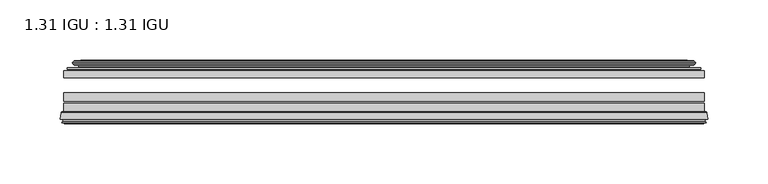
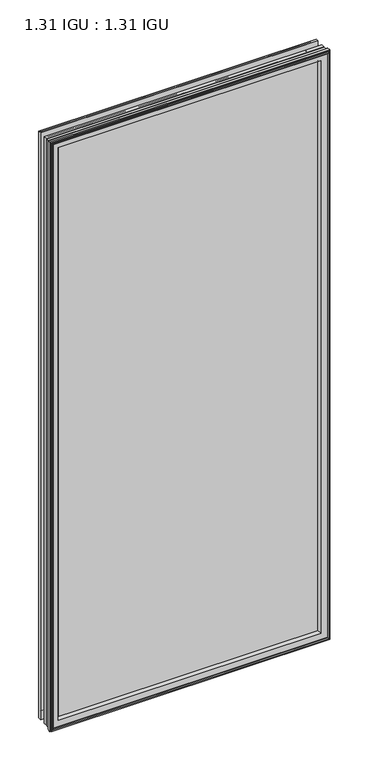
"""IFC4 building model written with IfcOpenShell, lengths in millimetres: plate geometry, 1.31 IGU : 1.31 IGU."""

from ifc_helpers import new_model, si_unit, frame, origin, place, context, project, spatial, polyline, ellipse_curve, outline, extrude, source, transform, mapped, element, save
from ifc_brep_helpers import plane_surface, cylinder_surface, revolved_surface, advanced_brep


def plate_1_31_igu_1_31_igu_06fa123f(model_context):
    return source(origin(), model_context, "Body", "SolidModel", [
        extrude(outline(polyline([(265.1081075, -44.8960875), (265.1081075, -50.4332875), (-265.1130426, -50.4332875), (-265.1130426, -44.8960875), (265.1081075, -44.8960875)])), frame((0.0, 0.0, -14.2875), z_axis=(0.0, 0.0, 1.0), x_axis=(1.0, 0.0, 0.0)), (0.0, 0.0, 1.0), 1184.275),
        extrude(outline(polyline([(-265.1130426, -78.7796875), (-265.1130426, -71.7692875), (265.1081075, -71.7692875), (265.1081075, -78.7796875), (-265.1130426, -78.7796875)])), frame((0.0, 0.0, -14.2875), z_axis=(0.0, 0.0, 1.0), x_axis=(1.0, 0.0, 0.0)), (0.0, 0.0, 1.0), 1184.275),
        extrude(outline(polyline([(-265.1130426, -70.2452875), (-265.1130426, -63.1332875), (265.1081075, -63.1332875), (265.1081075, -70.2452875), (-265.1130426, -70.2452875)])), frame((0.0, 0.0, -14.2875), z_axis=(0.0, 0.0, 1.0), x_axis=(1.0, 0.0, 0.0)), (0.0, 0.0, 1.0), 1184.275),
        advanced_brep(
        [(-267.6599465, -85.1296875, 1172.5344039), (-266.9651627, -79.4711276, 1171.8396201), (-266.9651627, -79.4711276, -16.1396201), (-267.6599465, -85.1296875, -16.8344039), (-265.2723465, -87.1207518, 1170.1468039), (-265.7295465, -85.1296875, 1170.6040039), (-265.7295465, -85.1296875, -14.9040039), (-265.2723465, -87.1207518, -14.4468039), (-266.2737083, -86.8524376, 1171.1481658), (-266.2737083, -86.8524376, -15.4481658), (-266.5169465, -87.7602147, 1171.3914039), (-266.5169465, -87.7602147, -15.6914039), (-264.4849465, -88.3046875, 1169.3594039), (-264.4849465, -88.3046875, -13.6594039), (-262.4529465, -87.7602147, 1167.3274039), (-262.4529465, -87.7602147, -11.6274039), (-262.6961846, -86.8524376, 1167.5706421), (-262.6961846, -86.8524376, -11.8706421), (-263.6975465, -87.1207518, 1168.5720039), (-263.6975465, -87.1207518, -12.8720039), (-263.2403465, -85.1296875, 1168.1148039), (-263.2403465, -85.1296875, -12.4148039), (-266.1836318, -78.7796875, 1171.0580893), (-266.1836318, -78.7796875, -15.3580893), (266.9651627, -79.4711276, -16.1396201), (267.6599465, -85.1296875, -16.8344039), (265.7295465, -85.1296875, -14.9040039), (265.2723465, -87.1207518, -14.4468039), (266.2737083, -86.8524376, -15.4481658), (266.5169465, -87.7602147, -15.6914039), (264.4849465, -88.3046875, -13.6594039), (262.4529465, -87.7602147, -11.6274039), (262.6961846, -86.8524376, -11.8706421), (263.6975465, -87.1207518, -12.8720039), (263.2403465, -85.1296875, -12.4148039), (266.1836318, -78.7796875, -15.3580893), (266.9651627, -79.4711276, 1171.8396201), (267.6599465, -85.1296875, 1172.5344039), (265.7295465, -85.1296875, 1170.6040039), (265.2723465, -87.1207518, 1170.1468039), (266.2737083, -86.8524376, 1171.1481658), (266.5169465, -87.7602147, 1171.3914039), (264.4849465, -88.3046875, 1169.3594039), (262.4529465, -87.7602147, 1167.3274039), (262.6961846, -86.8524376, 1167.5706421), (263.6975465, -87.1207518, 1168.5720039), (263.2403465, -85.1296875, 1168.1148039), (266.1836318, -78.7796875, 1171.0580893), (-250.8377557, -85.1296875, 1155.7122131), (250.8377557, -85.1296875, 1155.7122131), (250.8377557, -85.1296875, -0.0122131), (-250.8377557, -85.1296875, -0.0122131), (-247.5214788, -78.7796875, 3.3040638), (247.5214788, -78.7796875, 3.3040638), (247.5214788, -78.7796875, 1152.3959362), (-247.5214788, -78.7796875, 1152.3959362)],
        [
            (0, 1),
            (1, 2),
            (2, 3),
            (3, 0),
            (4, 5),
            (5, 6),
            (6, 7),
            (7, 4),
            (8, 4),
            (7, 9),
            (9, 8),
            (10, 8),
            (9, 11),
            (11, 10),
            (12, 10),
            (11, 13),
            (13, 12),
            (14, 12),
            (13, 15),
            (15, 14),
            (16, 14),
            (15, 17),
            (17, 16),
            (18, 16),
            (17, 19),
            (19, 18),
            (20, 18),
            (19, 21),
            (21, 20),
            (1, 22, ellipse_curve(frame((-266.1836318, -79.5670875, 1171.0580893), z_axis=(-0.7071067811865475, 0.0, -0.7071067811865475), x_axis=(-0.7071067811865474, 0.0, 0.7071067811865476)), 1.1135518, 0.7874)),
            (22, 23),
            (23, 2, ellipse_curve(frame((-266.1836318, -79.5670875, -15.3580893), z_axis=(-0.7071067811865475, 0.0, 0.7071067811865475), x_axis=(0.7071067811865474, 0.0, 0.7071067811865476)), 1.1135518, 0.7874)),
            (2, 24),
            (24, 25),
            (25, 3),
            (6, 26),
            (26, 27),
            (27, 7),
            (27, 28),
            (28, 9),
            (28, 29),
            (29, 11),
            (29, 30),
            (30, 13),
            (30, 31),
            (31, 15),
            (31, 32),
            (32, 17),
            (32, 33),
            (33, 19),
            (33, 34),
            (34, 21),
            (23, 35),
            (35, 24, ellipse_curve(frame((266.1836318, -79.5670875, -15.3580893), z_axis=(-0.7071067811865475, 0.0, -0.7071067811865475), x_axis=(-0.7071067811865476, 0.0, 0.7071067811865474)), 1.1135518, 0.7874)),
            (24, 36),
            (36, 37),
            (37, 25),
            (26, 38),
            (38, 39),
            (39, 27),
            (39, 40),
            (40, 28),
            (40, 41),
            (41, 29),
            (41, 42),
            (42, 30),
            (42, 43),
            (43, 31),
            (43, 44),
            (44, 32),
            (44, 45),
            (45, 33),
            (45, 46),
            (46, 34),
            (35, 47),
            (47, 36, ellipse_curve(frame((266.1836318, -79.5670875, 1171.0580893), z_axis=(0.7071067811865475, 0.0, -0.7071067811865475), x_axis=(-0.7071067811865474, 0.0, -0.7071067811865476)), 1.1135518, 0.7874)),
            (36, 1),
            (0, 37),
            (5, 38),
            (4, 39),
            (8, 40),
            (10, 41),
            (12, 42),
            (14, 43),
            (16, 44),
            (18, 45),
            (20, 46),
            (48, 49),
            (49, 50),
            (50, 51),
            (51, 48),
            (22, 47),
            (52, 53),
            (53, 54),
            (54, 55),
            (55, 52),
            (55, 48, ellipse_curve(frame((-239.5884608, -86.963653, 1144.4629182), z_axis=(0.7071067811865475, 0.0, 0.7071067811865475), x_axis=(0.7071067811865474, 0.0, -0.7071067811865476)), 16.118937, 11.3978097)),
            (51, 52, ellipse_curve(frame((-239.5884608, -86.963653, 11.2370818), z_axis=(0.7071067811865475, 0.0, -0.7071067811865475), x_axis=(-0.7071067811865474, 0.0, -0.7071067811865476)), 16.118937, 11.3978097)),
            (50, 53, ellipse_curve(frame((239.5884608, -86.963653, 11.2370818), z_axis=(0.7071067811865475, 0.0, 0.7071067811865475), x_axis=(0.7071067811865476, 0.0, -0.7071067811865474)), 16.118937, 11.3978097)),
            (49, 54, ellipse_curve(frame((239.5884608, -86.963653, 1144.4629182), z_axis=(-0.7071067811865475, 0.0, 0.7071067811865475), x_axis=(0.7071067811865474, 0.0, 0.7071067811865476)), 16.118937, 11.3978097)),
        ],
        [
            plane_surface(frame((-266.9651627, -79.4711276, 1171.8396201), z_axis=(-0.9925461516413008, 0.12186934340532067, 0.0), x_axis=(0.0, 0.0, -1.0))),
            plane_surface(frame((-265.7295465, -85.1296875, 1170.6040039), z_axis=(-0.9746347637895997, -0.22380142361654332, 0.0), x_axis=(0.0, 0.0, -1.0))),
            plane_surface(frame((-265.2723465, -87.1207518, 1170.1468039), z_axis=(0.25881904510266784, 0.9659258262890289, 0.0), x_axis=(0.0, 0.0, -1.0))),
            plane_surface(frame((-266.2737083, -86.8524376, 1171.1481658), z_axis=(-0.9659258262890449, 0.2588190451026083, 0.0), x_axis=(0.0, 0.0, -1.0))),
            plane_surface(frame((-266.5169465, -87.7602147, 1171.3914039), z_axis=(-0.2588190451025689, -0.9659258262890554, 0.0), x_axis=(0.0, 0.0, -1.0))),
            plane_surface(frame((-264.4849465, -88.3046875, 1169.3594039), z_axis=(0.25881904510241466, -0.9659258262890968, 0.0), x_axis=(0.0, 0.0, -1.0))),
            plane_surface(frame((-262.4529465, -87.7602147, 1167.3274039), z_axis=(0.9659258262890272, 0.25881904510267406, 0.0), x_axis=(0.0, 0.0, -1.0))),
            plane_surface(frame((-262.6961846, -86.8524376, 1167.5706421), z_axis=(-0.25881904510234177, 0.9659258262891163, 0.0), x_axis=(0.0, 0.0, -1.0))),
            plane_surface(frame((-263.6975465, -87.1207518, 1168.5720039), z_axis=(0.9746347637895936, -0.2238014236165695, 0.0), x_axis=(0.0, 0.0, -1.0))),
            cylinder_surface(frame((-266.1836318, -79.5670875, 1187.45), z_axis=(0.0, 0.0, 1.0), x_axis=(-1.0, 0.0, 0.0)), 0.7874),
            plane_surface(frame((-266.9651627, -79.4711276, -16.1396201), z_axis=(0.0, 0.12186934340531747, -0.9925461516413012), x_axis=(1.0, 0.0, 0.0))),
            plane_surface(frame((-265.7295465, -85.1296875, -14.9040039), z_axis=(0.0, -0.22380142361654648, -0.9746347637895989), x_axis=(1.0, 0.0, 0.0))),
            plane_surface(frame((-265.2723465, -87.1207518, -14.4468039), z_axis=(0.0, 0.9659258262890298, 0.25881904510266474), x_axis=(1.0, 0.0, 0.0))),
            plane_surface(frame((-266.2737083, -86.8524376, -15.4481658), z_axis=(0.0, 0.25881904510260517, -0.9659258262890458), x_axis=(1.0, 0.0, 0.0))),
            plane_surface(frame((-266.5169465, -87.7602147, -15.6914039), z_axis=(0.0, -0.9659258262890563, -0.2588190451025658), x_axis=(1.0, 0.0, 0.0))),
            plane_surface(frame((-264.4849465, -88.3046875, -13.6594039), z_axis=(0.0, -0.965925826289096, 0.25881904510241777), x_axis=(1.0, 0.0, 0.0))),
            plane_surface(frame((-262.4529465, -87.7602147, -11.6274039), z_axis=(0.0, 0.2588190451026772, 0.9659258262890265), x_axis=(1.0, 0.0, 0.0))),
            plane_surface(frame((-262.6961846, -86.8524376, -11.8706421), z_axis=(0.0, 0.9659258262891154, -0.2588190451023449), x_axis=(1.0, 0.0, 0.0))),
            plane_surface(frame((-263.6975465, -87.1207518, -12.8720039), z_axis=(0.0, -0.22380142361656633, 0.9746347637895943), x_axis=(1.0, 0.0, 0.0))),
            cylinder_surface(frame((-282.5755426, -79.5670875, -15.3580893), z_axis=(-1.0, 0.0, 0.0), x_axis=(0.0, 0.0, -1.0)), 0.7874),
            plane_surface(frame((266.9651627, -79.4711276, -16.1396201), z_axis=(0.9925461516413017, 0.12186934340531426, 0.0), x_axis=(0.0, 0.0, 1.0))),
            plane_surface(frame((265.7295465, -85.1296875, -14.9040039), z_axis=(0.9746347637895981, -0.22380142361654964, 0.0), x_axis=(0.0, 0.0, 1.0))),
            plane_surface(frame((265.2723465, -87.1207518, -14.4468039), z_axis=(-0.2588190451026616, 0.9659258262890307, 0.0), x_axis=(0.0, 0.0, 1.0))),
            plane_surface(frame((266.2737083, -86.8524376, -15.4481658), z_axis=(0.9659258262890467, 0.25881904510260206, 0.0), x_axis=(0.0, 0.0, 1.0))),
            plane_surface(frame((266.5169465, -87.7602147, -15.6914039), z_axis=(0.2588190451025627, -0.9659258262890572, 0.0), x_axis=(0.0, 0.0, 1.0))),
            plane_surface(frame((264.4849465, -88.3046875, -13.6594039), z_axis=(-0.2588190451024209, -0.9659258262890951, 0.0), x_axis=(0.0, 0.0, 1.0))),
            plane_surface(frame((262.4529465, -87.7602147, -11.6274039), z_axis=(-0.9659258262890256, 0.25881904510268033, 0.0), x_axis=(0.0, 0.0, 1.0))),
            plane_surface(frame((262.6961846, -86.8524376, -11.8706421), z_axis=(0.25881904510234804, 0.9659258262891146, 0.0), x_axis=(0.0, 0.0, 1.0))),
            plane_surface(frame((263.6975465, -87.1207518, -12.8720039), z_axis=(-0.9746347637895951, -0.22380142361656316, 0.0), x_axis=(0.0, 0.0, 1.0))),
            cylinder_surface(frame((266.1836318, -79.5670875, -31.75), z_axis=(0.0, 0.0, -1.0), x_axis=(1.0, 0.0, 0.0)), 0.7874),
            plane_surface(frame((266.9651627, -79.4711276, 1171.8396201), z_axis=(0.0, 0.12186934340531747, 0.9925461516413012), x_axis=(-1.0, 0.0, 0.0))),
            plane_surface(frame((267.6599465, -85.1296875, 1172.5344039), z_axis=(0.0, -1.0, 0.0), x_axis=(-1.0, 0.0, 0.0))),
            plane_surface(frame((265.7295465, -85.1296875, 1170.6040039), z_axis=(0.0, -0.22380142361654648, 0.9746347637895989), x_axis=(-1.0, 0.0, 0.0))),
            plane_surface(frame((265.2723465, -87.1207518, 1170.1468039), z_axis=(0.0, 0.9659258262890298, -0.25881904510266474), x_axis=(-1.0, 0.0, 0.0))),
            plane_surface(frame((266.2737083, -86.8524376, 1171.1481658), z_axis=(0.0, 0.25881904510260517, 0.9659258262890458), x_axis=(-1.0, 0.0, 0.0))),
            plane_surface(frame((266.5169465, -87.7602147, 1171.3914039), z_axis=(0.0, -0.9659258262890563, 0.2588190451025658), x_axis=(-1.0, 0.0, 0.0))),
            plane_surface(frame((264.4849465, -88.3046875, 1169.3594039), z_axis=(0.0, -0.965925826289096, -0.25881904510241777), x_axis=(-1.0, 0.0, 0.0))),
            plane_surface(frame((262.4529465, -87.7602147, 1167.3274039), z_axis=(0.0, 0.2588190451026772, -0.9659258262890265), x_axis=(-1.0, 0.0, 0.0))),
            plane_surface(frame((262.6961846, -86.8524376, 1167.5706421), z_axis=(0.0, 0.9659258262891155, 0.25881904510234494), x_axis=(-1.0, 0.0, 0.0))),
            plane_surface(frame((263.6975465, -87.1207518, 1168.5720039), z_axis=(0.0, -0.22380142361656633, -0.9746347637895943), x_axis=(-1.0, 0.0, 0.0))),
            plane_surface(frame((263.2403465, -85.1296875, 1168.1148039), z_axis=(0.0, -1.0, 0.0), x_axis=(-1.0, 0.0, 0.0))),
            plane_surface(frame((247.5214788, -78.7796875, 1152.3959362), z_axis=(0.0, 1.0, 0.0), x_axis=(-1.0, 0.0, 0.0))),
            cylinder_surface(frame((282.5755426, -79.5670875, 1171.0580893), z_axis=(1.0, 0.0, 0.0), x_axis=(0.0, 0.0, 1.0)), 0.7874),
            revolved_surface(polyline([(-250.98627050000002, -86.963653, -0.1607278582187064), (-250.98627050000002, -86.963653, 1155.8607278582188)]), (-239.5884608, -86.963653, 1187.45), (0.0, 0.0, -1.0)),
            revolved_surface(polyline([(250.9862704582187, -86.963653, -0.16072789999999948), (-250.98627045821874, -86.963653, -0.16072789999999948)]), (-282.5755426, -86.963653, 11.2370818), (1.0, 0.0, 0.0)),
            revolved_surface(polyline([(250.98627050000002, -86.963653, 1155.8607278582188), (250.98627050000002, -86.963653, -0.16072785821874191)]), (239.5884608, -86.963653, -31.75), (0.0, 0.0, 1.0)),
            revolved_surface(polyline([(-250.9862704582187, -86.963653, 1155.8607279), (250.98627045821874, -86.963653, 1155.8607279)]), (282.5755426, -86.963653, 1144.4629182), (-1.0, 0.0, 0.0)),
        ],
        [
            (0, [[1, 2, 3, 4]]),
            (1, [[5, 6, 7, 8]]),
            (2, [[9, -8, 10, 11]]),
            (3, [[12, -11, 13, 14]]),
            (4, [[15, -14, 16, 17]]),
            (5, [[18, -17, 19, 20]]),
            (6, [[21, -20, 22, 23]]),
            (7, [[24, -23, 25, 26]]),
            (8, [[27, -26, 28, 29]]),
            (9, [[30, 31, 32, -2]]),
            (10, [[-3, 33, 34, 35]]),
            (11, [[-7, 36, 37, 38]]),
            (12, [[-10, -38, 39, 40]]),
            (13, [[-13, -40, 41, 42]]),
            (14, [[-16, -42, 43, 44]]),
            (15, [[-19, -44, 45, 46]]),
            (16, [[-22, -46, 47, 48]]),
            (17, [[-25, -48, 49, 50]]),
            (18, [[-28, -50, 51, 52]]),
            (19, [[-32, 53, 54, -33]]),
            (20, [[-34, 55, 56, 57]]),
            (21, [[-37, 58, 59, 60]]),
            (22, [[-39, -60, 61, 62]]),
            (23, [[-41, -62, 63, 64]]),
            (24, [[-43, -64, 65, 66]]),
            (25, [[-45, -66, 67, 68]]),
            (26, [[-47, -68, 69, 70]]),
            (27, [[-49, -70, 71, 72]]),
            (28, [[-51, -72, 73, 74]]),
            (29, [[-54, 75, 76, -55]]),
            (30, [[-56, 77, -1, 78]]),
            (31, [[-35, -57, -78, -4], [79, -58, -36, -6]]),
            (32, [[-59, -79, -5, 80]]),
            (33, [[-61, -80, -9, 81]]),
            (34, [[-63, -81, -12, 82]]),
            (35, [[-65, -82, -15, 83]]),
            (36, [[-67, -83, -18, 84]]),
            (37, [[-69, -84, -21, 85]]),
            (38, [[-71, -85, -24, 86]]),
            (39, [[-73, -86, -27, 87]]),
            (40, [[-52, -74, -87, -29], [88, 89, 90, 91]]),
            (41, [[92, -75, -53, -31], [93, 94, 95, 96]]),
            (42, [[-76, -92, -30, -77]]),
            (43, [[97, -91, 98, -96]]),
            (44, [[-98, -90, 99, -93]]),
            (45, [[-99, -89, 100, -94]]),
            (46, [[-100, -88, -97, -95]]),
        ],
    ),
        advanced_brep(
        [(-255.767718, -37.7373382, 1160.6421755), (-250.8260851, -36.3108875, 1155.7005426), (-250.8260851, -36.3108875, -0.0005426), (-255.767718, -37.7373382, -4.9421755), (-255.6026127, -36.9605789, 1160.4770702), (-255.6026127, -36.9605789, -4.7770702), (-256.1980984, -36.4771203, 1161.0725559), (-256.1980984, -36.4771203, -5.3725559), (-257.4627342, -37.766076, 1162.3371917), (-257.4627342, -37.766076, -6.6371917), (-257.4519175, -38.8797852, 1162.3263749), (-257.4519175, -38.8797852, -6.6263749), (-256.1704323, -40.1361433, 1161.0448897), (-256.1704323, -40.1361433, -5.3448897), (-255.5654254, -39.649943, 1160.4398829), (-255.5654254, -39.649943, -4.7398829), (-256.1194397, -39.0959287, 1160.9938972), (-256.1194397, -39.0959287, -5.2938972), (-253.8336313, -38.7029881, 1158.7080887), (-253.8336313, -38.7029881, -3.0080887), (-252.3745582, -40.2107282, 1157.2490157), (-252.3745582, -40.2107282, -1.5490157), (-252.6711401, -41.651269, 1157.5455976), (-252.6711401, -41.651269, -1.8455976), (-253.4423646, -42.2798875, 1158.3168221), (-253.4423646, -42.2798875, -2.6168221), (-261.7463409, -43.4871542, 1166.6207984), (-261.4711395, -42.2798875, 1166.3455969), (-261.4711395, -42.2798875, -10.6455969), (-261.7463409, -43.4871542, -10.9207984), (-258.2887723, -44.8960875, 1163.1632297), (-258.2887723, -44.8960875, -7.4632297), (-247.1911485, -44.023302, 1152.0656059), (-247.5464864, -44.8960875, 1152.4209439), (-247.5464864, -44.8960875, 3.2790561), (-247.1911485, -44.023302, 3.6343941), (-247.8623465, -43.3681812, 1152.736804), (-247.8623465, -43.3681812, 2.963196), (-249.5031371, -40.6686056, 1154.3775946), (-249.5031371, -40.6686056, 1.3224054), (250.8260851, -36.3108875, -0.0005426), (255.767718, -37.7373382, -4.9421755), (255.6026127, -36.9605789, -4.7770702), (256.1980984, -36.4771203, -5.3725559), (257.4627342, -37.766076, -6.6371917), (257.4519175, -38.8797852, -6.6263749), (256.1704323, -40.1361433, -5.3448897), (255.5654254, -39.649943, -4.7398829), (256.1194397, -39.0959287, -5.2938972), (253.8336313, -38.7029881, -3.0080887), (252.3745582, -40.2107282, -1.5490157), (252.6711401, -41.651269, -1.8455976), (253.4423646, -42.2798875, -2.6168221), (261.4711395, -42.2798875, -10.6455969), (261.7463409, -43.4871542, -10.9207984), (258.2887723, -44.8960875, -7.4632297), (247.5464864, -44.8960875, 3.2790561), (247.1911485, -44.023302, 3.6343941), (247.8623465, -43.3681812, 2.963196), (249.5031371, -40.6686056, 1.3224054), (250.8260851, -36.3108875, 1155.7005426), (255.767718, -37.7373382, 1160.6421755), (255.6026127, -36.9605789, 1160.4770702), (256.1980984, -36.4771203, 1161.0725559), (257.4627342, -37.766076, 1162.3371917), (257.4519175, -38.8797852, 1162.3263749), (256.1704323, -40.1361433, 1161.0448897), (255.5654254, -39.649943, 1160.4398829), (256.1194397, -39.0959287, 1160.9938972), (253.8336313, -38.7029881, 1158.7080887), (252.3745582, -40.2107282, 1157.2490157), (252.6711401, -41.651269, 1157.5455976), (253.4423646, -42.2798875, 1158.3168221), (261.4711395, -42.2798875, 1166.3455969), (261.7463409, -43.4871542, 1166.6207984), (258.2887723, -44.8960875, 1163.1632297), (247.5464864, -44.8960875, 1152.4209439), (247.1911485, -44.023302, 1152.0656059), (247.8623465, -43.3681812, 1152.736804), (249.5031371, -40.6686056, 1154.3775946)],
        [
            (0, 1),
            (1, 2),
            (2, 3),
            (3, 0),
            (4, 0),
            (3, 5),
            (5, 4),
            (6, 4, ellipse_curve(frame((-255.9231297, -36.746901, 1160.7975871), z_axis=(-0.7071067811865475, 0.0, -0.7071067811865475), x_axis=(-0.7071067811865474, 0.0, 0.7071067811865476)), 0.5447741, 0.3852135)),
            (5, 7, ellipse_curve(frame((-255.9231297, -36.746901, -5.0975871), z_axis=(-0.7071067811865475, 0.0, 0.7071067811865475), x_axis=(0.7071067811865474, 0.0, 0.7071067811865476)), 0.5447741, 0.3852135)),
            (7, 6),
            (8, 6),
            (7, 9),
            (9, 8),
            (10, 8, ellipse_curve(frame((-256.9006812, -38.3175243, 1161.7751387), z_axis=(-0.7071067811865475, 0.0, -0.7071067811865475), x_axis=(-0.7071067811865474, 0.0, 0.7071067811865476)), 1.1135518, 0.7874)),
            (9, 11, ellipse_curve(frame((-256.9006812, -38.3175243, -6.0751387), z_axis=(-0.7071067811865475, 0.0, 0.7071067811865475), x_axis=(0.7071067811865474, 0.0, 0.7071067811865476)), 1.1135518, 0.7874)),
            (11, 10),
            (12, 10),
            (11, 13),
            (13, 12),
            (14, 12, ellipse_curve(frame((-255.8968348, -39.8570738, 1160.7712922), z_axis=(-0.7071067811865475, 0.0, -0.7071067811865475), x_axis=(-0.7071067811865474, 0.0, 0.7071067811865476)), 0.552694, 0.3908137)),
            (13, 15, ellipse_curve(frame((-255.8968348, -39.8570738, -5.0712922), z_axis=(-0.7071067811865475, 0.0, 0.7071067811865475), x_axis=(0.7071067811865474, 0.0, 0.7071067811865476)), 0.552694, 0.3908137)),
            (15, 14),
            (16, 14),
            (15, 17),
            (17, 16),
            (18, 16),
            (17, 19),
            (19, 18),
            (20, 18, ellipse_curve(frame((-253.6184687, -39.954629, 1158.4929261), z_axis=(0.7071067811865475, 0.0, 0.7071067811865475), x_axis=(0.7071067811865474, 0.0, -0.7071067811865476)), 1.7960512, 1.27)),
            (19, 21, ellipse_curve(frame((-253.6184687, -39.954629, -2.7929261), z_axis=(0.7071067811865475, 0.0, -0.7071067811865475), x_axis=(-0.7071067811865474, 0.0, -0.7071067811865476)), 1.7960512, 1.27)),
            (21, 20),
            (22, 20),
            (21, 23),
            (23, 22),
            (24, 22, ellipse_curve(frame((-253.4423646, -41.4924875, 1158.3168221), z_axis=(0.7071067811865475, 0.0, 0.7071067811865475), x_axis=(0.7071067811865474, 0.0, -0.7071067811865476)), 1.1135518, 0.7874)),
            (23, 25, ellipse_curve(frame((-253.4423646, -41.4924875, -2.6168221), z_axis=(0.7071067811865475, 0.0, -0.7071067811865475), x_axis=(-0.7071067811865474, 0.0, -0.7071067811865476)), 1.1135518, 0.7874)),
            (25, 24),
            (26, 27, ellipse_curve(frame((-261.4711395, -42.9148875, 1166.3455969), z_axis=(-0.7071067811865475, 0.0, -0.7071067811865475), x_axis=(-0.7071067811865474, 0.0, 0.7071067811865476)), 0.8980256, 0.635)),
            (27, 28),
            (28, 29, ellipse_curve(frame((-261.4711395, -42.9148875, -10.6455969), z_axis=(-0.7071067811865475, 0.0, 0.7071067811865475), x_axis=(0.7071067811865474, 0.0, 0.7071067811865476)), 0.8980256, 0.635)),
            (29, 26),
            (30, 26),
            (29, 31),
            (31, 30),
            (32, 33, ellipse_curve(frame((-247.5464864, -44.3873602, 1152.4209439), z_axis=(-0.7071067811865475, 0.0, -0.7071067811865475), x_axis=(-0.7071067811865474, 0.0, 0.7071067811865476)), 0.719449, 0.5087273)),
            (33, 34),
            (34, 35, ellipse_curve(frame((-247.5464864, -44.3873602, 3.2790561), z_axis=(-0.7071067811865475, 0.0, 0.7071067811865475), x_axis=(0.7071067811865474, 0.0, 0.7071067811865476)), 0.719449, 0.5087273)),
            (35, 32),
            (36, 32),
            (35, 37),
            (37, 36),
            (38, 36, ellipse_curve(frame((-243.4269723, -38.823959, 1148.3014298), z_axis=(0.7071067811865475, 0.0, 0.7071067811865475), x_axis=(0.7071067811865474, 0.0, -0.7071067811865476)), 8.9802561, 6.35)),
            (37, 39, ellipse_curve(frame((-243.4269723, -38.823959, 7.3985702), z_axis=(0.7071067811865475, 0.0, -0.7071067811865475), x_axis=(-0.7071067811865474, 0.0, -0.7071067811865476)), 8.9802561, 6.35)),
            (39, 38),
            (1, 38),
            (39, 2),
            (2, 40),
            (40, 41),
            (41, 3),
            (41, 42),
            (42, 5),
            (42, 43, ellipse_curve(frame((255.9231297, -36.746901, -5.0975871), z_axis=(-0.7071067811865475, 0.0, -0.7071067811865475), x_axis=(-0.7071067811865476, 0.0, 0.7071067811865474)), 0.5447741, 0.3852135)),
            (43, 7),
            (43, 44),
            (44, 9),
            (44, 45, ellipse_curve(frame((256.9006812, -38.3175243, -6.0751387), z_axis=(-0.7071067811865475, 0.0, -0.7071067811865475), x_axis=(-0.7071067811865476, 0.0, 0.7071067811865474)), 1.1135518, 0.7874)),
            (45, 11),
            (45, 46),
            (46, 13),
            (46, 47, ellipse_curve(frame((255.8968348, -39.8570738, -5.0712922), z_axis=(-0.7071067811865475, 0.0, -0.7071067811865475), x_axis=(-0.7071067811865476, 0.0, 0.7071067811865474)), 0.552694, 0.3908137)),
            (47, 15),
            (47, 48),
            (48, 17),
            (48, 49),
            (49, 19),
            (49, 50, ellipse_curve(frame((253.6184687, -39.954629, -2.7929261), z_axis=(0.7071067811865475, 0.0, 0.7071067811865475), x_axis=(0.7071067811865476, 0.0, -0.7071067811865474)), 1.7960512, 1.27)),
            (50, 21),
            (50, 51),
            (51, 23),
            (51, 52, ellipse_curve(frame((253.4423646, -41.4924875, -2.6168221), z_axis=(0.7071067811865475, 0.0, 0.7071067811865475), x_axis=(0.7071067811865476, 0.0, -0.7071067811865474)), 1.1135518, 0.7874)),
            (52, 25),
            (28, 53),
            (53, 54, ellipse_curve(frame((261.4711395, -42.9148875, -10.6455969), z_axis=(-0.7071067811865475, 0.0, -0.7071067811865475), x_axis=(-0.7071067811865476, 0.0, 0.7071067811865474)), 0.8980256, 0.635)),
            (54, 29),
            (54, 55),
            (55, 31),
            (34, 56),
            (56, 57, ellipse_curve(frame((247.5464864, -44.3873602, 3.2790561), z_axis=(-0.7071067811865475, 0.0, -0.7071067811865475), x_axis=(-0.7071067811865476, 0.0, 0.7071067811865474)), 0.719449, 0.5087273)),
            (57, 35),
            (57, 58),
            (58, 37),
            (58, 59, ellipse_curve(frame((243.4269723, -38.823959, 7.3985702), z_axis=(0.7071067811865475, 0.0, 0.7071067811865475), x_axis=(0.7071067811865476, 0.0, -0.7071067811865474)), 8.9802561, 6.35)),
            (59, 39),
            (59, 40),
            (40, 60),
            (60, 61),
            (61, 41),
            (61, 62),
            (62, 42),
            (62, 63, ellipse_curve(frame((255.9231297, -36.746901, 1160.7975871), z_axis=(0.7071067811865475, 0.0, -0.7071067811865475), x_axis=(-0.7071067811865474, 0.0, -0.7071067811865476)), 0.5447741, 0.3852135)),
            (63, 43),
            (63, 64),
            (64, 44),
            (64, 65, ellipse_curve(frame((256.9006812, -38.3175243, 1161.7751387), z_axis=(0.7071067811865475, 0.0, -0.7071067811865475), x_axis=(-0.7071067811865474, 0.0, -0.7071067811865476)), 1.1135518, 0.7874)),
            (65, 45),
            (65, 66),
            (66, 46),
            (66, 67, ellipse_curve(frame((255.8968348, -39.8570738, 1160.7712922), z_axis=(0.7071067811865475, 0.0, -0.7071067811865475), x_axis=(-0.7071067811865474, 0.0, -0.7071067811865476)), 0.552694, 0.3908137)),
            (67, 47),
            (67, 68),
            (68, 48),
            (68, 69),
            (69, 49),
            (69, 70, ellipse_curve(frame((253.6184687, -39.954629, 1158.4929261), z_axis=(-0.7071067811865475, 0.0, 0.7071067811865475), x_axis=(0.7071067811865474, 0.0, 0.7071067811865476)), 1.7960512, 1.27)),
            (70, 50),
            (70, 71),
            (71, 51),
            (71, 72, ellipse_curve(frame((253.4423646, -41.4924875, 1158.3168221), z_axis=(-0.7071067811865475, 0.0, 0.7071067811865475), x_axis=(0.7071067811865474, 0.0, 0.7071067811865476)), 1.1135518, 0.7874)),
            (72, 52),
            (53, 73),
            (73, 74, ellipse_curve(frame((261.4711395, -42.9148875, 1166.3455969), z_axis=(0.7071067811865475, 0.0, -0.7071067811865475), x_axis=(-0.7071067811865474, 0.0, -0.7071067811865476)), 0.8980256, 0.635)),
            (74, 54),
            (74, 75),
            (75, 55),
            (56, 76),
            (76, 77, ellipse_curve(frame((247.5464864, -44.3873602, 1152.4209439), z_axis=(0.7071067811865475, 0.0, -0.7071067811865475), x_axis=(-0.7071067811865474, 0.0, -0.7071067811865476)), 0.719449, 0.5087273)),
            (77, 57),
            (77, 78),
            (78, 58),
            (78, 79, ellipse_curve(frame((243.4269723, -38.823959, 1148.3014298), z_axis=(-0.7071067811865475, 0.0, 0.7071067811865475), x_axis=(0.7071067811865474, 0.0, 0.7071067811865476)), 8.9802561, 6.35)),
            (79, 59),
            (79, 60),
            (60, 1),
            (0, 61),
            (4, 62),
            (6, 63),
            (8, 64),
            (10, 65),
            (12, 66),
            (14, 67),
            (16, 68),
            (18, 69),
            (20, 70),
            (22, 71),
            (24, 72),
            (27, 73),
            (26, 74),
            (30, 75),
            (33, 76),
            (32, 77),
            (36, 78),
            (38, 79),
        ],
        [
            plane_surface(frame((-250.8260851, -36.3108875, 1155.7005426), z_axis=(-0.27733649284928463, 0.9607728502273879, 0.0), x_axis=(0.0, 0.0, -1.0))),
            plane_surface(frame((-255.767718, -37.7373382, 1160.6421755), z_axis=(0.9781476007338358, -0.2079116908176177, 0.0), x_axis=(0.0, 0.0, -1.0))),
            cylinder_surface(frame((-255.9231297, -36.746901, 1187.45), z_axis=(0.0, 0.0, 1.0), x_axis=(-1.0, 0.0, 0.0)), 0.3852135),
            plane_surface(frame((-256.1980984, -36.4771203, 1161.0725559), z_axis=(-0.7138087599382162, 0.7003406701280928, 0.0), x_axis=(0.0, 0.0, -1.0))),
            cylinder_surface(frame((-256.9006812, -38.3175243, 1187.45), z_axis=(0.0, 0.0, 1.0), x_axis=(-1.0, 0.0, 0.0)), 0.7874),
            plane_surface(frame((-257.4519175, -38.8797852, 1162.3263749), z_axis=(-0.7000714109283732, -0.7140728391423082, 0.0), x_axis=(0.0, 0.0, -1.0))),
            cylinder_surface(frame((-255.8968348, -39.8570738, 1187.45), z_axis=(0.0, 0.0, 1.0), x_axis=(-1.0, 0.0, 0.0)), 0.3908137),
            plane_surface(frame((-255.5654254, -39.649943, 1160.4398829), z_axis=(0.7071067811861126, 0.7071067811869826, 0.0), x_axis=(0.0, 0.0, -1.0))),
            plane_surface(frame((-256.1194397, -39.0959287, 1160.9938972), z_axis=(0.16941940671011482, -0.9855440449974789, 0.0), x_axis=(0.0, 0.0, -1.0))),
            revolved_surface(polyline([(-254.8884687, -39.954629, -4.062926082878221), (-254.8884687, -39.954629, 1159.7629260828783)]), (-253.6184687, -39.954629, 1187.45), (0.0, 0.0, -1.0)),
            plane_surface(frame((-252.3745582, -40.2107282, 1157.2490157), z_axis=(-0.9794570432566897, 0.201652920670302, 0.0), x_axis=(0.0, 0.0, -1.0))),
            revolved_surface(polyline([(-254.22976459999998, -41.4924875, -3.4042221289826102), (-254.22976459999998, -41.4924875, 1159.1042221289827)]), (-253.4423646, -41.4924875, 1187.45), (0.0, 0.0, -1.0)),
            cylinder_surface(frame((-261.4711395, -42.9148875, 1187.45), z_axis=(0.0, 0.0, 1.0), x_axis=(-1.0, 0.0, 0.0)), 0.635),
            plane_surface(frame((-261.7463409, -43.4871542, 1166.6207984), z_axis=(-0.37736447542757934, -0.9260648209954139, 0.0), x_axis=(0.0, 0.0, -1.0))),
            cylinder_surface(frame((-247.5464864, -44.3873602, 1187.45), z_axis=(0.0, 0.0, 1.0), x_axis=(-1.0, 0.0, 0.0)), 0.5087273),
            plane_surface(frame((-247.1911485, -44.023302, 1152.0656059), z_axis=(0.698484125849927, 0.7156255486884628, 0.0), x_axis=(0.0, 0.0, -1.0))),
            revolved_surface(polyline([(-249.77697229999998, -38.823959, 1.0485702148980636), (-249.77697229999998, -38.823959, 1154.651429785102)]), (-243.4269723, -38.823959, 1187.45), (0.0, 0.0, -1.0)),
            plane_surface(frame((-249.5031371, -40.6686056, 1154.3775946), z_axis=(0.9568763473517009, 0.2904955350411895, 0.0), x_axis=(0.0, 0.0, -1.0))),
            plane_surface(frame((-250.8260851, -36.3108875, -0.0005426), z_axis=(0.0, 0.960772850227387, -0.27733649284928774), x_axis=(1.0, 0.0, 0.0))),
            plane_surface(frame((-255.767718, -37.7373382, -4.9421755), z_axis=(0.0, -0.20791169081761454, 0.9781476007338364), x_axis=(1.0, 0.0, 0.0))),
            cylinder_surface(frame((-282.5755426, -36.746901, -5.0975871), z_axis=(-1.0, 0.0, 0.0), x_axis=(0.0, 0.0, -1.0)), 0.3852135),
            plane_surface(frame((-256.1980984, -36.4771203, -5.3725559), z_axis=(0.0, 0.7003406701280904, -0.7138087599382185), x_axis=(1.0, 0.0, 0.0))),
            cylinder_surface(frame((-282.5755426, -38.3175243, -6.0751387), z_axis=(-1.0, 0.0, 0.0), x_axis=(0.0, 0.0, -1.0)), 0.7874),
            plane_surface(frame((-257.4519175, -38.8797852, -6.6263749), z_axis=(0.0, -0.7140728391423105, -0.7000714109283709), x_axis=(1.0, 0.0, 0.0))),
            cylinder_surface(frame((-282.5755426, -39.8570738, -5.0712922), z_axis=(-1.0, 0.0, 0.0), x_axis=(0.0, 0.0, -1.0)), 0.3908137),
            plane_surface(frame((-255.5654254, -39.649943, -4.7398829), z_axis=(0.0, 0.7071067811869849, 0.7071067811861103), x_axis=(1.0, 0.0, 0.0))),
            plane_surface(frame((-256.1194397, -39.0959287, -5.2938972), z_axis=(0.0, -0.9855440449974784, 0.16941940671011801), x_axis=(1.0, 0.0, 0.0))),
            revolved_surface(polyline([(254.88846868287834, -39.954629, -4.0629261), (-254.88846868287823, -39.954629, -4.0629261)]), (-282.5755426, -39.954629, -2.7929261), (1.0, 0.0, 0.0)),
            plane_surface(frame((-252.3745582, -40.2107282, -1.5490157), z_axis=(0.0, 0.20165292067029883, -0.9794570432566904), x_axis=(1.0, 0.0, 0.0))),
            revolved_surface(polyline([(254.22976462898242, -41.4924875, -3.4042220999999997), (-254.22976462898248, -41.4924875, -3.4042220999999997)]), (-282.5755426, -41.4924875, -2.6168221), (1.0, 0.0, 0.0)),
            cylinder_surface(frame((-282.5755426, -42.9148875, -10.6455969), z_axis=(-1.0, 0.0, 0.0), x_axis=(0.0, 0.0, -1.0)), 0.635),
            plane_surface(frame((-261.7463409, -43.4871542, -10.9207984), z_axis=(0.0, -0.9260648209954151, -0.37736447542757634), x_axis=(1.0, 0.0, 0.0))),
            cylinder_surface(frame((-282.5755426, -44.3873602, 3.2790561), z_axis=(-1.0, 0.0, 0.0), x_axis=(0.0, 0.0, -1.0)), 0.5087273),
            plane_surface(frame((-247.1911485, -44.023302, 3.6343941), z_axis=(0.0, 0.7156255486884651, 0.6984841258499247), x_axis=(1.0, 0.0, 0.0))),
            revolved_surface(polyline([(249.77697228510186, -38.823959, 1.0485702000000003), (-249.77697228510186, -38.823959, 1.0485702000000003)]), (-282.5755426, -38.823959, 7.3985702), (1.0, 0.0, 0.0)),
            plane_surface(frame((-249.5031371, -40.6686056, 1.3224054), z_axis=(0.0, 0.29049553504119263, 0.9568763473517), x_axis=(1.0, 0.0, 0.0))),
            plane_surface(frame((250.8260851, -36.3108875, -0.0005426), z_axis=(0.27733649284929085, 0.9607728502273861, 0.0), x_axis=(0.0, 0.0, 1.0))),
            plane_surface(frame((255.767718, -37.7373382, -4.9421755), z_axis=(-0.9781476007338371, -0.20791169081761138, 0.0), x_axis=(0.0, 0.0, 1.0))),
            cylinder_surface(frame((255.9231297, -36.746901, -31.75), z_axis=(0.0, 0.0, -1.0), x_axis=(1.0, 0.0, 0.0)), 0.3852135),
            plane_surface(frame((256.1980984, -36.4771203, -5.3725559), z_axis=(0.7138087599382208, 0.7003406701280882, 0.0), x_axis=(0.0, 0.0, 1.0))),
            cylinder_surface(frame((256.9006812, -38.3175243, -31.75), z_axis=(0.0, 0.0, -1.0), x_axis=(1.0, 0.0, 0.0)), 0.7874),
            plane_surface(frame((257.4519175, -38.8797852, -6.6263749), z_axis=(0.7000714109283687, -0.7140728391423128, 0.0), x_axis=(0.0, 0.0, 1.0))),
            cylinder_surface(frame((255.8968348, -39.8570738, -31.75), z_axis=(0.0, 0.0, -1.0), x_axis=(1.0, 0.0, 0.0)), 0.3908137),
            plane_surface(frame((255.5654254, -39.649943, -4.7398829), z_axis=(-0.7071067811861079, 0.7071067811869872, 0.0), x_axis=(0.0, 0.0, 1.0))),
            plane_surface(frame((256.1194397, -39.0959287, -5.2938972), z_axis=(-0.1694194067101212, -0.9855440449974778, 0.0), x_axis=(0.0, 0.0, 1.0))),
            revolved_surface(polyline([(254.8884687, -39.954629, 1159.7629260828783), (254.8884687, -39.954629, -4.062926082878235)]), (253.6184687, -39.954629, -31.75), (0.0, 0.0, 1.0)),
            plane_surface(frame((252.3745582, -40.2107282, -1.5490157), z_axis=(0.979457043256691, 0.20165292067029567, 0.0), x_axis=(0.0, 0.0, 1.0))),
            revolved_surface(polyline([(254.22976459999998, -41.4924875, 1159.1042221289827), (254.22976459999998, -41.4924875, -3.404222128982486)]), (253.4423646, -41.4924875, -31.75), (0.0, 0.0, 1.0)),
            cylinder_surface(frame((261.4711395, -42.9148875, -31.75), z_axis=(0.0, 0.0, -1.0), x_axis=(1.0, 0.0, 0.0)), 0.635),
            plane_surface(frame((261.7463409, -43.4871542, -10.9207984), z_axis=(0.37736447542757334, -0.9260648209954163, 0.0), x_axis=(0.0, 0.0, 1.0))),
            cylinder_surface(frame((247.5464864, -44.3873602, -31.75), z_axis=(0.0, 0.0, -1.0), x_axis=(1.0, 0.0, 0.0)), 0.5087273),
            plane_surface(frame((247.1911485, -44.023302, 3.6343941), z_axis=(-0.6984841258499224, 0.7156255486884673, 0.0), x_axis=(0.0, 0.0, 1.0))),
            revolved_surface(polyline([(249.77697229999998, -38.823959, 1154.651429785102), (249.77697229999998, -38.823959, 1.0485702148981417)]), (243.4269723, -38.823959, -31.75), (0.0, 0.0, 1.0)),
            plane_surface(frame((249.5031371, -40.6686056, 1.3224054), z_axis=(-0.9568763473516991, 0.29049553504119574, 0.0), x_axis=(0.0, 0.0, 1.0))),
            plane_surface(frame((250.8260851, -36.3108875, 1155.7005426), z_axis=(0.0, 0.960772850227387, 0.27733649284928774), x_axis=(-1.0, 0.0, 0.0))),
            plane_surface(frame((255.767718, -37.7373382, 1160.6421755), z_axis=(0.0, -0.20791169081761454, -0.9781476007338364), x_axis=(-1.0, 0.0, 0.0))),
            cylinder_surface(frame((282.5755426, -36.746901, 1160.7975871), z_axis=(1.0, 0.0, 0.0), x_axis=(0.0, 0.0, 1.0)), 0.3852135),
            plane_surface(frame((256.1980984, -36.4771203, 1161.0725559), z_axis=(0.0, 0.7003406701280904, 0.7138087599382185), x_axis=(-1.0, 0.0, 0.0))),
            cylinder_surface(frame((282.5755426, -38.3175243, 1161.7751387), z_axis=(1.0, 0.0, 0.0), x_axis=(0.0, 0.0, 1.0)), 0.7874),
            plane_surface(frame((257.4519175, -38.8797852, 1162.3263749), z_axis=(0.0, -0.7140728391423106, 0.700071410928371), x_axis=(-1.0, 0.0, 0.0))),
            cylinder_surface(frame((282.5755426, -39.8570738, 1160.7712922), z_axis=(1.0, 0.0, 0.0), x_axis=(0.0, 0.0, 1.0)), 0.3908137),
            plane_surface(frame((255.5654254, -39.649943, 1160.4398829), z_axis=(0.0, 0.7071067811869849, -0.7071067811861103), x_axis=(-1.0, 0.0, 0.0))),
            plane_surface(frame((256.1194397, -39.0959287, 1160.9938972), z_axis=(0.0, -0.9855440449974784, -0.16941940671011801), x_axis=(-1.0, 0.0, 0.0))),
            revolved_surface(polyline([(-254.88846868287834, -39.954629, 1159.7629261), (254.88846868287823, -39.954629, 1159.7629261)]), (282.5755426, -39.954629, 1158.4929261), (-1.0, 0.0, 0.0)),
            plane_surface(frame((252.3745582, -40.2107282, 1157.2490157), z_axis=(0.0, 0.20165292067029883, 0.9794570432566904), x_axis=(-1.0, 0.0, 0.0))),
            revolved_surface(polyline([(-254.22976462898242, -41.4924875, 1159.1042221), (254.22976462898248, -41.4924875, 1159.1042221)]), (282.5755426, -41.4924875, 1158.3168221), (-1.0, 0.0, 0.0)),
            plane_surface(frame((253.4423646, -42.2798875, 1158.3168221), z_axis=(0.0, 1.0, 0.0), x_axis=(-1.0, 0.0, 0.0))),
            cylinder_surface(frame((282.5755426, -42.9148875, 1166.3455969), z_axis=(1.0, 0.0, 0.0), x_axis=(0.0, 0.0, 1.0)), 0.635),
            plane_surface(frame((261.7463409, -43.4871542, 1166.6207984), z_axis=(0.0, -0.9260648209954151, 0.37736447542757634), x_axis=(-1.0, 0.0, 0.0))),
            plane_surface(frame((258.2887723, -44.8960875, 1163.1632297), z_axis=(0.0, -1.0, 0.0), x_axis=(-1.0, 0.0, 0.0))),
            cylinder_surface(frame((282.5755426, -44.3873602, 1152.4209439), z_axis=(1.0, 0.0, 0.0), x_axis=(0.0, 0.0, 1.0)), 0.5087273),
            plane_surface(frame((247.1911485, -44.023302, 1152.0656059), z_axis=(0.0, 0.7156255486884651, -0.6984841258499247), x_axis=(-1.0, 0.0, 0.0))),
            revolved_surface(polyline([(-249.77697228510186, -38.823959, 1154.6514298), (249.77697228510186, -38.823959, 1154.6514298)]), (282.5755426, -38.823959, 1148.3014298), (-1.0, 0.0, 0.0)),
            plane_surface(frame((249.5031371, -40.6686056, 1154.3775946), z_axis=(0.0, 0.29049553504119263, -0.9568763473517), x_axis=(-1.0, 0.0, 0.0))),
        ],
        [
            (0, [[1, 2, 3, 4]]),
            (1, [[5, -4, 6, 7]]),
            (2, [[8, -7, 9, 10]]),
            (3, [[11, -10, 12, 13]]),
            (4, [[14, -13, 15, 16]]),
            (5, [[17, -16, 18, 19]]),
            (6, [[20, -19, 21, 22]]),
            (7, [[23, -22, 24, 25]]),
            (8, [[26, -25, 27, 28]]),
            (9, [[29, -28, 30, 31]]),
            (10, [[32, -31, 33, 34]]),
            (11, [[35, -34, 36, 37]]),
            (12, [[38, 39, 40, 41]]),
            (13, [[42, -41, 43, 44]]),
            (14, [[45, 46, 47, 48]]),
            (15, [[49, -48, 50, 51]]),
            (16, [[52, -51, 53, 54]]),
            (17, [[55, -54, 56, -2]]),
            (18, [[-3, 57, 58, 59]]),
            (19, [[-6, -59, 60, 61]]),
            (20, [[-9, -61, 62, 63]]),
            (21, [[-12, -63, 64, 65]]),
            (22, [[-15, -65, 66, 67]]),
            (23, [[-18, -67, 68, 69]]),
            (24, [[-21, -69, 70, 71]]),
            (25, [[-24, -71, 72, 73]]),
            (26, [[-27, -73, 74, 75]]),
            (27, [[-30, -75, 76, 77]]),
            (28, [[-33, -77, 78, 79]]),
            (29, [[-36, -79, 80, 81]]),
            (30, [[-40, 82, 83, 84]]),
            (31, [[-43, -84, 85, 86]]),
            (32, [[-47, 87, 88, 89]]),
            (33, [[-50, -89, 90, 91]]),
            (34, [[-53, -91, 92, 93]]),
            (35, [[-56, -93, 94, -57]]),
            (36, [[-58, 95, 96, 97]]),
            (37, [[-60, -97, 98, 99]]),
            (38, [[-62, -99, 100, 101]]),
            (39, [[-64, -101, 102, 103]]),
            (40, [[-66, -103, 104, 105]]),
            (41, [[-68, -105, 106, 107]]),
            (42, [[-70, -107, 108, 109]]),
            (43, [[-72, -109, 110, 111]]),
            (44, [[-74, -111, 112, 113]]),
            (45, [[-76, -113, 114, 115]]),
            (46, [[-78, -115, 116, 117]]),
            (47, [[-80, -117, 118, 119]]),
            (48, [[-83, 120, 121, 122]]),
            (49, [[-85, -122, 123, 124]]),
            (50, [[-88, 125, 126, 127]]),
            (51, [[-90, -127, 128, 129]]),
            (52, [[-92, -129, 130, 131]]),
            (53, [[-94, -131, 132, -95]]),
            (54, [[-96, 133, -1, 134]]),
            (55, [[-98, -134, -5, 135]]),
            (56, [[-100, -135, -8, 136]]),
            (57, [[-102, -136, -11, 137]]),
            (58, [[-104, -137, -14, 138]]),
            (59, [[-106, -138, -17, 139]]),
            (60, [[-108, -139, -20, 140]]),
            (61, [[-110, -140, -23, 141]]),
            (62, [[-112, -141, -26, 142]]),
            (63, [[-114, -142, -29, 143]]),
            (64, [[-116, -143, -32, 144]]),
            (65, [[-118, -144, -35, 145]]),
            (66, [[146, -120, -82, -39], [-81, -119, -145, -37]]),
            (67, [[-121, -146, -38, 147]]),
            (68, [[-123, -147, -42, 148]]),
            (69, [[-86, -124, -148, -44], [149, -125, -87, -46]]),
            (70, [[-126, -149, -45, 150]]),
            (71, [[-128, -150, -49, 151]]),
            (72, [[-130, -151, -52, 152]]),
            (73, [[-132, -152, -55, -133]]),
        ],
    ),
    ])


if __name__ == "__main__":
    model = new_model("IFC4")
    model_context = context("Model", 3, world=origin())
    ifc_project = project(units=[si_unit("LENGTHUNIT", "METRE", prefix="MILLI")], contexts=[model_context])
    site = spatial("IfcSite", under=ifc_project)
    building = spatial("IfcBuilding", under=site)
    placement = place(None, origin())
    plate_1_31_igu_1_31_igu_shape = plate_1_31_igu_1_31_igu_06fa123f(model_context)
    element("IfcPlate", 1, ObjectType="1.31 IGU : 1.31 IGU", at=placement, inside=building, context=model_context, shape_type="MappedRepresentation", body=[
        mapped(plate_1_31_igu_1_31_igu_shape, transform((0.0, 0.0, 0.0), x_axis=(1.0, 0.0, 0.0), y_axis=(0.0, 1.0, 0.0), z_axis=(0.0, 0.0, 1.0))),
    ])
    save(model, "model.ifc")
